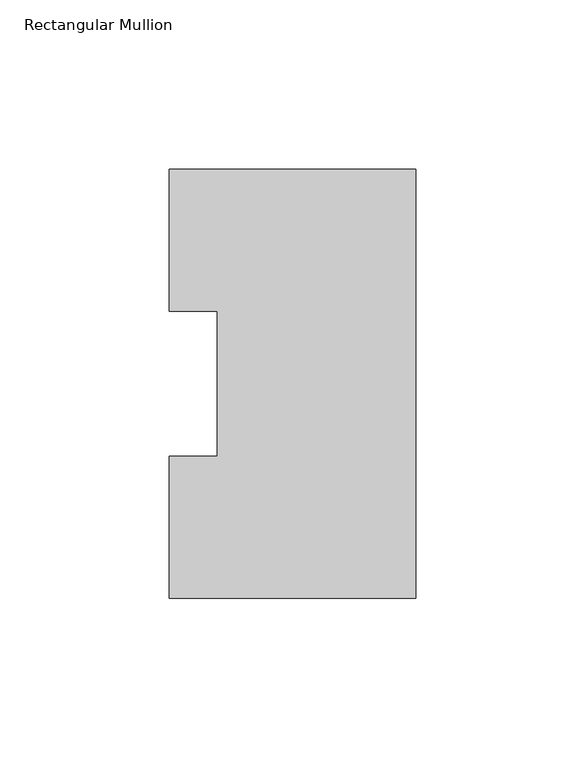
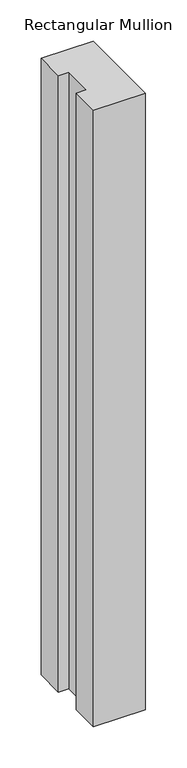
"""IFC4 building model written with IfcOpenShell, lengths in millimetres: member geometry, Rectangular Mullion."""

from ifc_helpers import new_model, si_unit, frame, origin, place, context, project, spatial, polyline, outline, extrude, source, transform, mapped, element, save


def rectangular_mullion_88beba9a(model_context):
    return source(origin(), model_context, "Body", "SweptSolid", [
        extrude(outline(polyline([(-73.025, 126.7086938), (0.0, 126.7086938), (0.0, -0.2913062), (-73.025, -0.2913062), (-73.025, 41.7837938), (-58.7375, 41.7837938), (-58.7375, 84.6335938), (-73.025, 84.6335938), (-73.025, 126.7086938)])), frame((0.0, 0.0, -914.4), z_axis=(0.0, 0.0, 1.0), x_axis=(1.0, 0.0, 0.0)), (0.0, 0.0, 1.0), 914.4),
    ])


if __name__ == "__main__":
    model = new_model("IFC4")
    model_context = context("Model", 3, world=origin())
    ifc_project = project(units=[si_unit("LENGTHUNIT", "METRE", prefix="MILLI")], contexts=[model_context])
    site = spatial("IfcSite", under=ifc_project)
    building = spatial("IfcBuilding", under=site)
    placement = place(None, origin())
    rectangular_mullion_shape = rectangular_mullion_88beba9a(model_context)
    element("IfcMember", 1, ObjectType="Rectangular Mullion", at=placement, inside=building, context=model_context, shape_type="MappedRepresentation", body=[
        mapped(rectangular_mullion_shape, transform((0.0, 0.0, 0.0), x_axis=(1.0, 0.0, 0.0), y_axis=(0.0, 1.0, 0.0), z_axis=(0.0, 0.0, 1.0))),
    ])
    save(model, "model.ifc")
